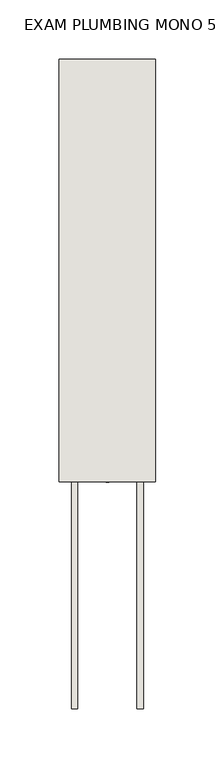
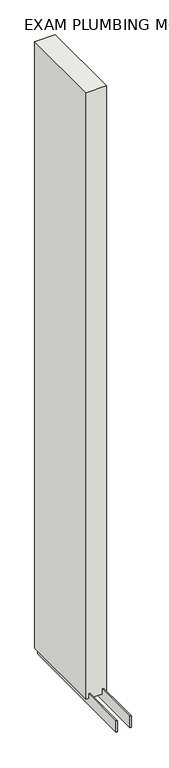
"""IFC4 building model written with IfcOpenShell, lengths in millimetres: wall geometry, EXAM PLUMBING MONO 535852 : EXAM PLUMBING MONO 535852."""

from ifc_helpers import new_model, si_unit, frame, origin, place, context, project, spatial, polyline, outline, extrude, source, transform, mapped, element, save


def exam_plumbing_mono_535852_exam_plumbing_mono_535852_91ffc135(model_context):
    return source(origin(), model_context, "Body", "SweptSolid", [
        extrude(outline(polyline([(44102.7108038, -52170.7677944), (44102.7108038, -52168.2277944), (44105.2508038, -52168.2277944), (44105.2508038, -52170.7677944), (44102.7108038, -52170.7677944)])), frame((0.0, 0.0, 4419.6), z_axis=(0.0, 0.0, 1.0), x_axis=(1.0, 0.0, 0.0)), (0.0, 0.0, 1.0), 2.54),
        extrude(outline(polyline([(44129.070746, -52361.2628414), (44129.070746, -51815.1628414), (44134.1495014, -51815.1628414), (44134.1495014, -52361.2628414), (44129.070746, -52361.2628414)])), frame((0.0, 0.0, 4418.6602), z_axis=(0.0, 0.0, 1.0), x_axis=(1.0, 0.0, 0.0)), (0.0, 0.0, 1.0), 47.625),
        extrude(outline(polyline([(44129.070746, -52361.2628414), (44129.070746, -51815.1628414), (44134.1495014, -51815.1628414), (44134.1495014, -52361.2628414), (44129.070746, -52361.2628414)])), frame((0.0, 0.0, 4418.6602), z_axis=(0.0, 0.0, 1.0), x_axis=(1.0, 0.0, 0.0)), (0.0, 0.0, 1.0), 47.625),
        extrude(outline(polyline([(44078.906381, -51815.1628414), (44078.906381, -52361.2628414), (44073.8245014, -52361.2628414), (44073.8245014, -51815.1628414), (44078.906381, -51815.1628414)])), frame((0.0, 0.0, 4418.6602), z_axis=(0.0, 0.0, 1.0), x_axis=(1.0, 0.0, 0.0)), (0.0, 0.0, 1.0), 47.625),
        extrude(outline(polyline([(44078.906381, -51815.1628414), (44078.906381, -52361.2628414), (44073.8245014, -52361.2628414), (44073.8245014, -51815.1628414), (44078.906381, -51815.1628414)])), frame((0.0, 0.0, 4418.6602), z_axis=(0.0, 0.0, 1.0), x_axis=(1.0, 0.0, 0.0)), (0.0, 0.0, 1.0), 47.625),
        extrude(outline(polyline([(44144.6170954, -52170.7628414), (44063.3352412, -52170.7628414), (44063.3352412, -51815.1628414), (44144.6170954, -51815.1628414), (44144.6170954, -52170.7628414)])), frame((0.0, 0.0, 4445.0), z_axis=(0.0, 0.0, 1.0), x_axis=(1.0, 0.0, 0.0)), (0.0, 0.0, 1.0), 2562.4536762),
    ])


if __name__ == "__main__":
    model = new_model("IFC4")
    model_context = context("Model", 3, world=origin())
    ifc_project = project(units=[si_unit("LENGTHUNIT", "METRE", prefix="MILLI")], contexts=[model_context])
    site = spatial("IfcSite", under=ifc_project)
    building = spatial("IfcBuilding", under=site)
    placement = place(None, origin())
    exam_plumbing_mono_535852_exam_plumbing_mono_535852_shape = exam_plumbing_mono_535852_exam_plumbing_mono_535852_91ffc135(model_context)
    element("IfcWall", 1, ObjectType="EXAM PLUMBING MONO 535852 : EXAM PLUMBING MONO 535852", at=placement, inside=building, context=model_context, shape_type="MappedRepresentation", body=[
        mapped(exam_plumbing_mono_535852_exam_plumbing_mono_535852_shape, transform((0.0, 0.0, 0.0), x_axis=(1.0, 0.0, 0.0), y_axis=(0.0, 1.0, 0.0), z_axis=(0.0, 0.0, 1.0))),
    ])
    save(model, "model.ifc")
